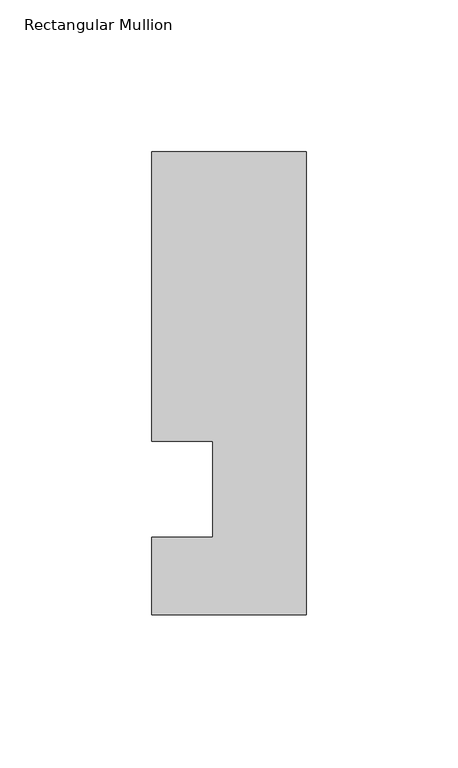
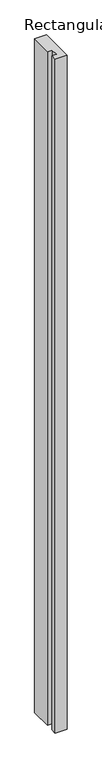
"""IFC4 building model written with IfcOpenShell, lengths in millimetres: member geometry, Rectangular Mullion."""

from ifc_helpers import new_model, si_unit, frame, origin, place, context, project, spatial, polyline, outline, extrude, source, transform, mapped, element, save


def rectangular_mullion_4220faba(model_context):
    return source(origin(), model_context, "Body", "SweptSolid", [
        extrude(outline(polyline([(-50.8, 152.4), (0.0, 152.4), (0.0, 0.0), (-50.8, 0.0), (-50.8, 25.4), (-30.8102, 25.4), (-30.8102, 57.15), (-50.8, 57.15), (-50.8, 152.4)])), frame((0.0, 0.0, -3048.0), z_axis=(0.0, 0.0, 1.0), x_axis=(1.0, 0.0, 0.0)), (0.0, 0.0, 1.0), 3048.0),
    ])


if __name__ == "__main__":
    model = new_model("IFC4")
    model_context = context("Model", 3, world=origin())
    ifc_project = project(units=[si_unit("LENGTHUNIT", "METRE", prefix="MILLI")], contexts=[model_context])
    site = spatial("IfcSite", under=ifc_project)
    building = spatial("IfcBuilding", under=site)
    placement = place(None, origin())
    rectangular_mullion_shape = rectangular_mullion_4220faba(model_context)
    element("IfcMember", 1, ObjectType="Rectangular Mullion", at=placement, inside=building, context=model_context, shape_type="MappedRepresentation", body=[
        mapped(rectangular_mullion_shape, transform((0.0, 0.0, 0.0), x_axis=(1.0, 0.0, 0.0), y_axis=(0.0, 1.0, 0.0), z_axis=(0.0, 0.0, 1.0))),
    ])
    save(model, "model.ifc")
